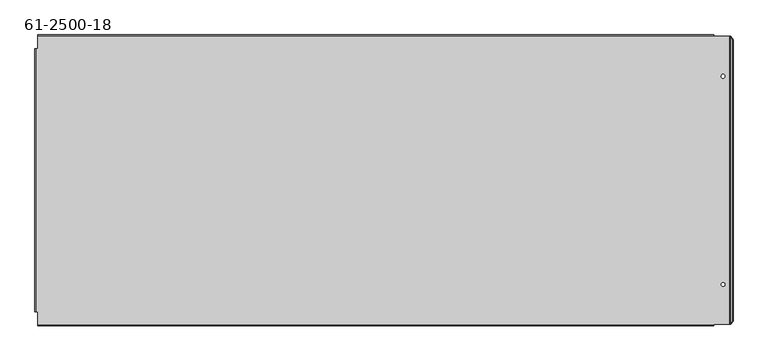
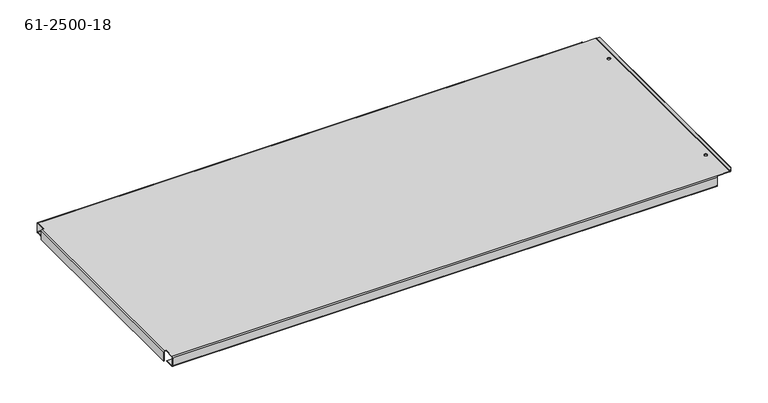
"""IFC4 building model written with IfcOpenShell, lengths in millimetres: proxy geometry, 61-2500-18."""

from ifc_helpers import new_model, si_unit, frame, origin, place, context, project, spatial, polyline, circle_curve, source, transform, mapped, element, save
from ifc_brep_helpers import plane_surface, cylinder_surface, revolved_surface, advanced_brep


def proxy_61_2500_18_c5300b30(model_context):
    return source(origin(), model_context, "Body", "AdvancedBrep", [
        advanced_brep(
        [(1124.136939, 90.8292636, 0.0), (1124.136939, 90.8292636, 1.00584), (1117.786939, 90.8292636, 1.00584), (1117.786939, 90.8292636, 0.0), (1124.136939, 446.4292636, 0.0), (1124.136939, 446.4292636, 1.00584), (1117.786939, 446.4292636, 1.00584), (1117.786939, 446.4292636, 0.0), (1138.152067, 508.9972288, 4.4901281), (1134.2511464, 514.5139636, 0.5892074), (1133.5399101, 514.5139636, 1.3004437), (1137.4408308, 508.9972288, 5.2013643), (1134.2511464, 22.7445636, 0.5892074), (1138.152067, 28.2612985, 4.4901281), (1137.4408308, 28.2612985, 5.2013643), (1133.5399101, 22.7445636, 1.3004437), (1132.8286738, 514.5139636, 0.0), (1105.086939, 514.5139636, 0.0), (1105.086939, 514.5139636, 1.00584), (1132.8286738, 514.5139636, 1.00584), (1132.8286738, 22.7445636, 0.0), (1132.8286738, 22.7445636, 1.00584), (1105.086939, 515.0168836, 1.00584), (-49.127161, 515.0168836, 1.00584), (-49.127161, 493.0954136, 1.00584), (-51.776381, 493.0954136, 1.00584), (-51.776381, 44.1631136, 1.00584), (-49.127161, 44.1631136, 1.00584), (-49.127161, 22.2416436, 1.00584), (1105.086939, 22.2416436, 1.00584), (1105.086939, 22.7445636, 1.00584), (1105.086939, 515.0168836, -21.21916), (-49.127161, 515.0168836, -21.21916), (-49.127161, 517.0285636, -19.20748), (1105.086939, 517.0285636, -19.20748), (-49.127161, 515.0168836, -20.21332), (1105.086939, 515.0168836, -20.21332), (1105.086939, 516.0227236, -19.20748), (-49.127161, 516.0227236, -19.20748), (1105.086939, 516.0227236, -1.00584), (-49.127161, 516.0227236, -1.00584), (1105.086939, 517.0285636, -1.00584), (-49.127161, 517.0285636, -1.00584), (1105.086939, 515.0168836, 0.0), (-49.127161, 515.0168836, 0.0), (1105.086939, 22.7445636, 0.0), (1105.086939, 22.2416436, 0.0), (-49.127161, 22.2416436, 0.0), (-49.127161, 44.1631136, 0.0), (-51.776381, 44.1631136, 0.0), (-51.776381, 493.0954136, 0.0), (-49.127161, 493.0954136, 0.0), (-49.127161, 22.2416436, -21.21916), (1105.086939, 22.2416436, -21.21916), (1105.086939, 20.2299636, -19.20748), (-49.127161, 20.2299636, -19.20748), (1105.086939, 22.2416436, -20.21332), (-49.127161, 22.2416436, -20.21332), (-49.127161, 21.2358036, -19.20748), (1105.086939, 21.2358036, -19.20748), (-49.127161, 21.2358036, -1.00584), (1105.086939, 21.2358036, -1.00584), (-49.127161, 20.2299636, -1.00584), (1105.086939, 20.2299636, -1.00584), (-53.788061, 493.0954136, -1.00584), (-53.788061, 44.1631136, -1.00584), (-52.782221, 44.1631136, -1.00584), (-52.782221, 493.0954136, -1.00584), (-53.788061, 44.1631136, -21.21916), (-52.782221, 44.1631136, -21.21916), (-53.788061, 493.0954136, -21.21916), (-52.782221, 493.0954136, -21.21916), (1105.086939, 41.8199636, -21.21916), (1105.086939, 41.8199636, -20.21332), (-49.127161, 41.8199636, -21.21916), (-49.127161, 41.8199636, -20.21332), (-49.127161, 495.4385636, -21.21916), (-49.127161, 495.4385636, -20.21332), (1105.086939, 495.4385636, -21.21916), (1105.086939, 495.4385636, -20.21332)],
        [
            (0, 1),
            (1, 2, circle_curve(frame((1120.961939, 90.8292636, 1.00584), z_axis=(0.0, 0.0, 1.0), x_axis=(1.0, 0.0, 0.0)), 3.175)),
            (2, 3),
            (3, 0, circle_curve(frame((1120.961939, 90.8292636, 0.0), z_axis=(0.0, 0.0, -1.0), x_axis=(1.0, 0.0, 0.0)), 3.175)),
            (4, 5),
            (5, 6, circle_curve(frame((1120.961939, 446.4292636, 1.00584), z_axis=(0.0, 0.0, 1.0), x_axis=(1.0, 0.0, 0.0)), 3.175)),
            (6, 7),
            (7, 4, circle_curve(frame((1120.961939, 446.4292636, 0.0), z_axis=(0.0, 0.0, -1.0), x_axis=(1.0, 0.0, 0.0)), 3.175)),
            (8, 9),
            (9, 10),
            (10, 11),
            (11, 8),
            (12, 13),
            (13, 14),
            (14, 15),
            (15, 12),
            (9, 16, circle_curve(frame((1132.8286738, 514.5139636, 2.01168), z_axis=(0.0, 1.0, 0.0), x_axis=(0.0, 0.0, -1.0)), 2.01168)),
            (16, 17),
            (17, 18),
            (18, 19),
            (19, 10, circle_curve(frame((1132.8286738, 514.5139636, 2.01168), z_axis=(0.0, -1.0, 0.0), x_axis=(0.0, 0.0, -1.0)), 1.00584)),
            (8, 13),
            (12, 9),
            (12, 20, circle_curve(frame((1132.8286738, 22.7445636, 2.01168), z_axis=(0.0, 1.0, 0.0), x_axis=(0.0, 0.0, -1.0)), 2.01168)),
            (20, 16),
            (15, 10),
            (19, 21),
            (21, 15, circle_curve(frame((1132.8286738, 22.7445636, 2.01168), z_axis=(0.0, -1.0, 0.0), x_axis=(0.0, 0.0, -1.0)), 1.00584)),
            (18, 22),
            (22, 23),
            (23, 24),
            (24, 25),
            (25, 26),
            (26, 27),
            (27, 28),
            (28, 29),
            (29, 30),
            (30, 21),
            (5, 6, circle_curve(frame((1120.961939, 446.4292636, 1.00584), z_axis=(0.0, 0.0, -1.0), x_axis=(1.0, 0.0, 0.0)), 3.175)),
            (1, 2, circle_curve(frame((1120.961939, 90.8292636, 1.00584), z_axis=(0.0, 0.0, -1.0), x_axis=(1.0, 0.0, 0.0)), 3.175)),
            (4, 7, circle_curve(frame((1120.961939, 446.4292636, 0.0), z_axis=(0.0, 0.0, -1.0), x_axis=(1.0, 0.0, 0.0)), 3.175)),
            (0, 3, circle_curve(frame((1120.961939, 90.8292636, 0.0), z_axis=(0.0, 0.0, -1.0), x_axis=(1.0, 0.0, 0.0)), 3.175)),
            (31, 32),
            (32, 33, circle_curve(frame((-49.127161, 515.0168836, -19.20748), z_axis=(1.0, 0.0, 0.0), x_axis=(0.0, 1.0, 0.0)), 2.01168)),
            (33, 34),
            (34, 31, circle_curve(frame((1105.086939, 515.0168836, -19.20748), z_axis=(-1.0, 0.0, 0.0), x_axis=(0.0, 1.0, 0.0)), 2.01168)),
            (35, 36),
            (36, 37, circle_curve(frame((1105.086939, 515.0168836, -19.20748), z_axis=(1.0, 0.0, 0.0), x_axis=(0.0, 1.0, 0.0)), 1.00584)),
            (37, 38),
            (38, 35, circle_curve(frame((-49.127161, 515.0168836, -19.20748), z_axis=(-1.0, 0.0, 0.0), x_axis=(0.0, 1.0, 0.0)), 1.00584)),
            (37, 39),
            (39, 40),
            (40, 38),
            (41, 42),
            (42, 23, circle_curve(frame((-49.127161, 515.0168836, -1.00584), z_axis=(1.0, 0.0, 0.0), x_axis=(0.0, 0.0, 1.0)), 2.01168)),
            (22, 41, circle_curve(frame((1105.086939, 515.0168836, -1.00584), z_axis=(-1.0, 0.0, 0.0), x_axis=(0.0, 0.0, 1.0)), 2.01168)),
            (39, 43, circle_curve(frame((1105.086939, 515.0168836, -1.00584), z_axis=(1.0, 0.0, 0.0), x_axis=(0.0, 0.0, 1.0)), 1.00584)),
            (43, 44),
            (44, 40, circle_curve(frame((-49.127161, 515.0168836, -1.00584), z_axis=(-1.0, 0.0, 0.0), x_axis=(0.0, 0.0, 1.0)), 1.00584)),
            (33, 42),
            (41, 34),
            (20, 45),
            (45, 46),
            (46, 47),
            (47, 48),
            (48, 49),
            (49, 50),
            (50, 51),
            (51, 44),
            (43, 17),
            (52, 53),
            (53, 54, circle_curve(frame((1105.086939, 22.2416436, -19.20748), z_axis=(-1.0, 0.0, 0.0), x_axis=(0.0, -1.0, 0.0)), 2.01168)),
            (54, 55),
            (55, 52, circle_curve(frame((-49.127161, 22.2416436, -19.20748), z_axis=(1.0, 0.0, 0.0), x_axis=(0.0, -1.0, 0.0)), 2.01168)),
            (56, 57),
            (57, 58, circle_curve(frame((-49.127161, 22.2416436, -19.20748), z_axis=(-1.0, 0.0, 0.0), x_axis=(0.0, -1.0, 0.0)), 1.00584)),
            (58, 59),
            (59, 56, circle_curve(frame((1105.086939, 22.2416436, -19.20748), z_axis=(1.0, 0.0, 0.0), x_axis=(0.0, -1.0, 0.0)), 1.00584)),
            (58, 60),
            (60, 61),
            (61, 59),
            (62, 63),
            (63, 29, circle_curve(frame((1105.086939, 22.2416436, -1.00584), z_axis=(-1.0, 0.0, 0.0), x_axis=(0.0, 0.0, 1.0)), 2.01168)),
            (28, 62, circle_curve(frame((-49.127161, 22.2416436, -1.00584), z_axis=(1.0, 0.0, 0.0), x_axis=(0.0, 0.0, 1.0)), 2.01168)),
            (60, 47, circle_curve(frame((-49.127161, 22.2416436, -1.00584), z_axis=(-1.0, 0.0, 0.0), x_axis=(0.0, 0.0, 1.0)), 1.00584)),
            (46, 61, circle_curve(frame((1105.086939, 22.2416436, -1.00584), z_axis=(1.0, 0.0, 0.0), x_axis=(0.0, 0.0, 1.0)), 1.00584)),
            (54, 63),
            (62, 55),
            (64, 65),
            (65, 26, circle_curve(frame((-51.776381, 44.1631136, -1.00584), z_axis=(0.0, 1.0, 0.0), x_axis=(0.0, 0.0, 1.0)), 2.01168)),
            (25, 64, circle_curve(frame((-51.776381, 493.0954136, -1.00584), z_axis=(0.0, -1.0, 0.0), x_axis=(0.0, 0.0, 1.0)), 2.01168)),
            (66, 67),
            (67, 50, circle_curve(frame((-51.776381, 493.0954136, -1.00584), z_axis=(0.0, 1.0, 0.0), x_axis=(0.0, 0.0, 1.0)), 1.00584)),
            (49, 66, circle_curve(frame((-51.776381, 44.1631136, -1.00584), z_axis=(0.0, -1.0, 0.0), x_axis=(0.0, 0.0, 1.0)), 1.00584)),
            (65, 68),
            (68, 69),
            (69, 66),
            (48, 27),
            (64, 70),
            (70, 68),
            (67, 71),
            (71, 70),
            (24, 51),
            (71, 69),
            (53, 72),
            (72, 73),
            (73, 56),
            (45, 30),
            (52, 74),
            (74, 72),
            (57, 75),
            (75, 74),
            (75, 73),
            (32, 76),
            (76, 77),
            (77, 35),
            (31, 78),
            (78, 76),
            (36, 79),
            (79, 78),
            (79, 77),
            (11, 14),
        ],
        [
            revolved_surface(polyline([(1124.136939, 90.8292636, 1.0058400000000347), (1124.136939, 90.8292636, 0.0)]), (1120.961939, 90.8292636, -1286.3714559), (0.0, 0.0, 1.0)),
            revolved_surface(polyline([(1124.136939, 446.4292636, 1.0058400000000347), (1124.136939, 446.4292636, 0.0)]), (1120.961939, 446.4292636, -1286.3714559), (0.0, 0.0, 1.0)),
            plane_surface(frame((1133.5399101, 514.5139636, 1.3004437), z_axis=(0.4999999999999866, 0.7071067811865432, 0.5000000000000197), x_axis=(-0.7071067811865709, 0.0, 0.7071067811865243))),
            plane_surface(frame((1137.4408308, 28.2612985, 5.2013643), z_axis=(0.4999999999999932, -0.7071067811865338, 0.5000000000000262), x_axis=(-0.7071067811865709, 0.0, 0.7071067811865243))),
            plane_surface(frame((1133.661939, 514.5139636, 0.0), z_axis=(0.0, 1.0, 0.0), x_axis=(0.0, 0.0, 1.0))),
            plane_surface(frame((1135.907003, 268.6292636, 2.245064), z_axis=(0.7071067811865461, 0.0, -0.7071067811865489), x_axis=(0.7071067811865489, 0.0, 0.7071067811865461))),
            cylinder_surface(frame((1132.8286738, 268.6292636, 2.01168), z_axis=(0.0, -1.0, 0.0), x_axis=(0.0, 0.0, -1.0)), 2.01168),
            revolved_surface(polyline([(1132.8286738, 22.744563599999992, 1.00584), (1132.8286738, 514.5139636, 1.00584)]), (1132.8286738, 268.6292636, 2.01168), (0.0, -1.0, 0.0)),
            plane_surface(frame((540.0003692, 268.6292636, 1.00584), z_axis=(0.0, 0.0, 1.0), x_axis=(1.0, 0.0, 0.0))),
            cylinder_surface(frame((527.979889, 515.0168836, -19.20748), z_axis=(-1.0, 0.0, 0.0), x_axis=(0.0, 1.0, 0.0)), 2.01168),
            revolved_surface(polyline([(-49.127161, 516.0227236000001, -19.20748), (1105.086939, 516.0227236000001, -19.20748)]), (527.979889, 515.0168836, -19.20748), (-1.0, 0.0, 0.0)),
            plane_surface(frame((527.979889, 516.0227236, -10.10666), z_axis=(0.0, -1.0, 0.0), x_axis=(0.0, 0.0, 1.0))),
            cylinder_surface(frame((527.979889, 515.0168836, -1.00584), z_axis=(-1.0, 0.0, 0.0), x_axis=(0.0, 0.0, 1.0)), 2.01168),
            revolved_surface(polyline([(-49.127161, 515.0168836, 0.0), (1105.086939, 515.0168836, 0.0)]), (527.979889, 515.0168836, -1.00584), (-1.0, 0.0, 0.0)),
            plane_surface(frame((527.979889, 517.0285636, -10.10666), z_axis=(0.0, 1.0, 0.0), x_axis=(0.0, 0.0, 1.0))),
            plane_surface(frame((540.0003692, 268.6292636, 0.0), z_axis=(0.0, 0.0, -1.0), x_axis=(1.0, 0.0, 0.0))),
            cylinder_surface(frame((527.979889, 22.2416436, -19.20748), z_axis=(1.0, 0.0, 0.0), x_axis=(0.0, -1.0, 0.0)), 2.01168),
            revolved_surface(polyline([(1105.086939, 21.2358036, -19.20748), (-49.127161, 21.2358036, -19.20748)]), (527.979889, 22.2416436, -19.20748), (1.0, 0.0, 0.0)),
            plane_surface(frame((527.979889, 21.2358036, -10.10666), z_axis=(0.0, 1.0, 0.0), x_axis=(0.0, 0.0, 1.0))),
            cylinder_surface(frame((527.979889, 22.2416436, -1.00584), z_axis=(1.0, 0.0, 0.0), x_axis=(0.0, 0.0, 1.0)), 2.01168),
            revolved_surface(polyline([(1105.086939, 22.2416436, 0.0), (-49.127161, 22.2416436, 0.0)]), (527.979889, 22.2416436, -1.00584), (1.0, 0.0, 0.0)),
            plane_surface(frame((527.979889, 20.2299636, -10.10666), z_axis=(0.0, -1.0, 0.0), x_axis=(0.0, 0.0, 1.0))),
            cylinder_surface(frame((-51.776381, 268.6292636, -1.00584), z_axis=(0.0, -1.0, 0.0), x_axis=(0.0, 0.0, 1.0)), 2.01168),
            revolved_surface(polyline([(-51.776381, 44.1631136, 0.0), (-51.776381, 493.0954136, 0.0)]), (-51.776381, 268.6292636, -1.00584), (0.0, -1.0, 0.0)),
            plane_surface(frame((-53.788061, 44.1631136, -21.21916), z_axis=(0.0, -1.0, 0.0), x_axis=(0.0, 0.0, -1.0))),
            plane_surface(frame((-53.788061, 268.6292636, -10.10666), z_axis=(-1.0, 0.0, 0.0), x_axis=(0.0, 0.0, -1.0))),
            plane_surface(frame((-53.788061, 493.0954136, 1.00584), z_axis=(0.0, 1.0, 0.0), x_axis=(0.0, 0.0, 1.0))),
            plane_surface(frame((-53.788061, 493.0954136, -21.21916), z_axis=(0.0, 0.0, -1.0), x_axis=(-1.0, 0.0, 0.0))),
            plane_surface(frame((-52.782221, 268.6292636, -10.10666), z_axis=(1.0, 0.0, 0.0), x_axis=(0.0, 0.0, -1.0))),
            plane_surface(frame((1105.086939, 41.8199636, -21.21916), z_axis=(1.0, 0.0, 0.0), x_axis=(0.0, 0.0, -1.0))),
            plane_surface(frame((527.979889, 31.0249636, -21.21916), z_axis=(0.0, 0.0, -1.0), x_axis=(1.0, 0.0, 0.0))),
            plane_surface(frame((-49.127161, 20.2299636, -21.21916), z_axis=(-1.0, 0.0, 0.0), x_axis=(0.0, 0.0, 1.0))),
            plane_surface(frame((-49.127161, 41.8199636, -21.21916), z_axis=(0.0, 1.0, 0.0), x_axis=(0.0, 0.0, 1.0))),
            plane_surface(frame((527.979889, 31.0249636, -20.21332), z_axis=(0.0, 0.0, 1.0), x_axis=(1.0, 0.0, 0.0))),
            plane_surface(frame((-49.127161, 495.4385636, -21.21916), z_axis=(-1.0, 0.0, 0.0), x_axis=(0.0, 0.0, 1.0))),
            plane_surface(frame((527.979889, 506.2335636, -21.21916), z_axis=(0.0, 0.0, -1.0), x_axis=(1.0, 0.0, 0.0))),
            plane_surface(frame((1105.086939, 517.0285636, -21.21916), z_axis=(1.0, 0.0, 0.0), x_axis=(0.0, 0.0, -1.0))),
            plane_surface(frame((1105.086939, 495.4385636, -21.21916), z_axis=(0.0, -1.0, 0.0), x_axis=(0.0, 0.0, -1.0))),
            plane_surface(frame((527.979889, 506.2335636, -20.21332), z_axis=(0.0, 0.0, 1.0), x_axis=(1.0, 0.0, 0.0))),
            plane_surface(frame((1138.152067, 22.7445636, 4.4901281), z_axis=(0.0, -1.0, 0.0), x_axis=(0.0, 0.0, -1.0))),
            plane_surface(frame((1138.152067, 514.5139636, 4.4901281), z_axis=(0.7071067811865235, 0.0, 0.7071067811865717), x_axis=(0.7071067811865717, 0.0, -0.7071067811865235))),
            plane_surface(frame((1135.1957667, 268.6292636, 2.9563003), z_axis=(-0.7071067811865461, 0.0, 0.7071067811865489), x_axis=(0.7071067811865489, 0.0, 0.7071067811865461))),
        ],
        [
            (0, [[1, 2, 3, 4]]),
            (1, [[5, 6, 7, 8]]),
            (2, [[9, 10, 11, 12]]),
            (3, [[13, 14, 15, 16]]),
            (4, [[-10, 17, 18, 19, 20, 21]]),
            (5, [[-9, 22, -13, 23]]),
            (6, [[-23, 24, 25, -17]]),
            (7, [[26, -21, 27, 28]]),
            (8, [[-27, -20, 29, 30, 31, 32, 33, 34, 35, 36, 37, 38], [39, -6], [40, -2]]),
            (1, [[-5, 41, -7, -39]]),
            (0, [[-1, 42, -3, -40]]),
            (9, [[43, 44, 45, 46]]),
            (10, [[47, 48, 49, 50]]),
            (11, [[-49, 51, 52, 53]]),
            (12, [[54, 55, -30, 56]]),
            (13, [[-52, 57, 58, 59]]),
            (14, [[-45, 60, -54, 61]]),
            (15, [[-25, 62, 63, 64, 65, 66, 67, 68, 69, -58, 70, -18], [-41, -8], [-42, -4]]),
            (16, [[71, 72, 73, 74]]),
            (17, [[75, 76, 77, 78]]),
            (18, [[-77, 79, 80, 81]]),
            (19, [[82, 83, -36, 84]]),
            (20, [[-80, 85, -64, 86]]),
            (21, [[-73, 87, -82, 88]]),
            (22, [[89, 90, -33, 91]]),
            (23, [[92, 93, -67, 94]]),
            (24, [[95, 96, 97, -94, -66, 98, -34, -90]]),
            (25, [[-89, 99, 100, -95]]),
            (26, [[101, 102, -99, -91, -32, 103, -68, -93]]),
            (27, [[104, -96, -100, -102]]),
            (28, [[-92, -97, -104, -101]]),
            (29, [[105, 106, 107, -78, -81, -86, -63, 108, -37, -83, -87, -72]]),
            (30, [[-71, 109, 110, -105]]),
            (31, [[111, 112, -109, -74, -88, -84, -35, -98, -65, -85, -79, -76]]),
            (32, [[113, -106, -110, -112]]),
            (33, [[-75, -107, -113, -111]]),
            (34, [[114, 115, 116, -50, -53, -59, -69, -103, -31, -55, -60, -44]]),
            (35, [[-43, 117, 118, -114]]),
            (36, [[119, 120, -117, -46, -61, -56, -29, -19, -70, -57, -51, -48]]),
            (37, [[121, -115, -118, -120]]),
            (38, [[-47, -116, -121, -119]]),
            (39, [[-16, -28, -38, -108, -62, -24]]),
            (40, [[-12, 122, -14, -22]]),
            (41, [[-11, -26, -15, -122]]),
        ],
    ),
    ])


if __name__ == "__main__":
    model = new_model("IFC4")
    model_context = context("Model", 3, world=origin())
    ifc_project = project(units=[si_unit("LENGTHUNIT", "METRE", prefix="MILLI")], contexts=[model_context])
    site = spatial("IfcSite", under=ifc_project)
    building = spatial("IfcBuilding", under=site)
    placement = place(None, origin())
    proxy_61_2500_18_shape = proxy_61_2500_18_c5300b30(model_context)
    element("IfcBuildingElementProxy", 1, Name="61-2500-18", ObjectType="61-2500-18", at=placement, inside=building, context=model_context, shape_type="MappedRepresentation", body=[
        mapped(proxy_61_2500_18_shape, transform((0.0, 0.0, 0.0), x_axis=(1.0, 0.0, 0.0), y_axis=(0.0, 1.0, 0.0), z_axis=(0.0, 0.0, 1.0))),
    ])
    save(model, "model.ifc")
